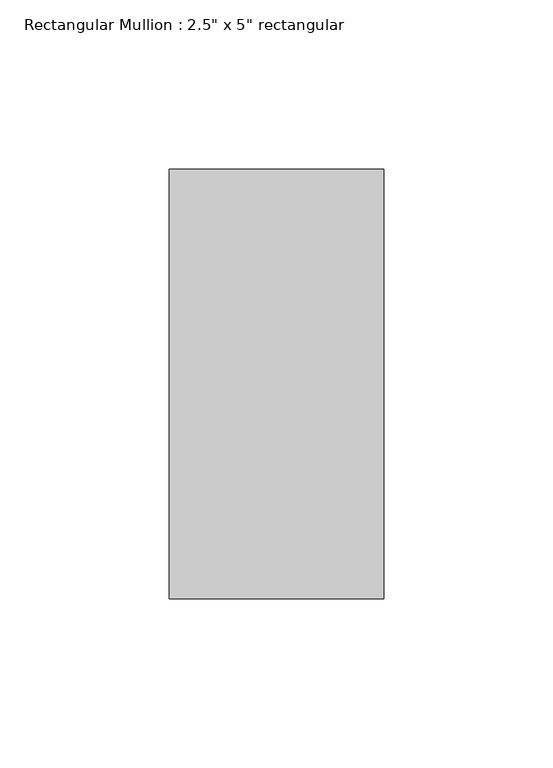
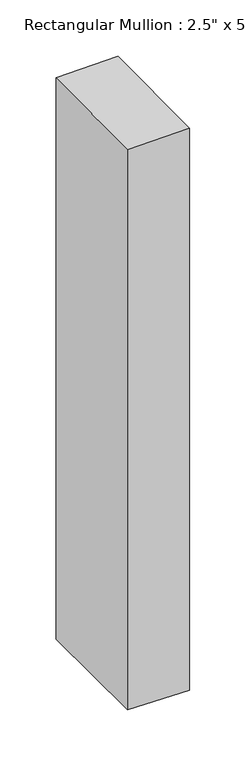
"""IFC4 building model written with IfcOpenShell, lengths in millimetres: member geometry."""

from ifc_helpers import new_model, si_unit, origin, place, context, project, spatial, faceted_brep, source, transform, mapped, element, save


def member_51ffc26c(model_context):
    return source(origin(), model_context, "Body", "Brep", [
        faceted_brep([(-63.5, 63.5, -0.7593934), (0.0, 63.5, 0.389031), (0.0, 63.5, -610.189558), (-63.5, 63.5, -609.0102839), (-63.5, -63.5, -1.5374554), (-63.5, -63.5, -608.2307734), (0.0, -63.5, -0.389031), (0.0, -63.5, -609.4100475)], [[[0, 1, 2, 3]], [[4, 0, 3, 5]], [[6, 4, 5, 7]], [[1, 6, 7, 2]], [[1, 0, 4, 6]], [[2, 7, 5, 3]]]),
    ])


if __name__ == "__main__":
    model = new_model("IFC4")
    model_context = context("Model", 3, world=origin())
    ifc_project = project(units=[si_unit("LENGTHUNIT", "METRE", prefix="MILLI")], contexts=[model_context])
    site = spatial("IfcSite", under=ifc_project)
    building = spatial("IfcBuilding", under=site)
    placement = place(None, origin())
    member_shape = member_51ffc26c(model_context)
    element("IfcMember", 1, ObjectType="Rectangular Mullion : 2.5\" x 5\" rectangular", at=placement, inside=building, context=model_context, shape_type="MappedRepresentation", body=[
        mapped(member_shape, transform((0.0, 0.0, 0.0), x_axis=(1.0, 0.0, 0.0), y_axis=(0.0, 1.0, 0.0), z_axis=(0.0, 0.0, 1.0))),
    ])
    save(model, "model.ifc")
